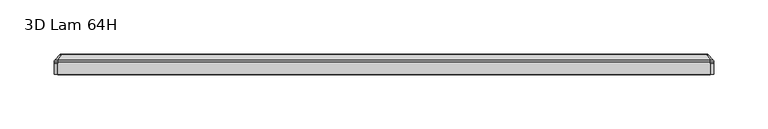
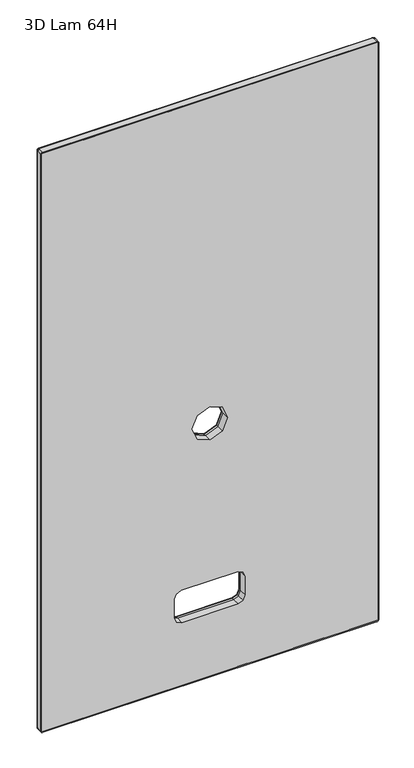
"""IFC4 building model written with IfcOpenShell, lengths in millimetres: furniture geometry, 3D Lam 64H."""

from ifc_helpers import new_model, si_unit, point, frame, origin, place, context, project, spatial, polyline, circle_curve, ellipse_curve, trimmed, outline, extrude, source, transform, mapped, element, save
from ifc_brep_helpers import plane_surface, cylinder_surface, revolved_surface, spline_surface, advanced_brep


def furniture_3d_lam_64h_030b849f(model_context):
    return source(origin(), model_context, "Body", "SolidModel", [
        extrude(outline(polyline([(1.9049516, 1.9049516), (1.9049516, 607.6954845), (1103.2494661, 607.6954845), (1103.2494661, 1.9049516), (1.9049516, 1.9049516)]), holes=[polyline([(505.8888403, 282.3495857), (515.1882, 304.800226), (505.8888403, 327.2508663), (483.4382, 336.550226), (460.9875597, 327.2508663), (451.6882, 304.800226), (460.9875597, 282.3495857), (483.4382, 273.050226), (505.8888403, 282.3495857)]), polyline([(182.8291928, 254.0002086), (182.8291928, 355.6002435), (179.1094561, 364.5804822), (170.1291902, 368.3002301), (134.1882098, 368.3002301), (125.2079439, 364.5804822), (121.4881968, 355.6002183), (121.4881968, 254.0002338), (125.2079439, 245.0199699), (134.1882048, 241.3002241), (170.1291952, 241.3002241), (179.1094561, 245.0199699), (182.8291928, 254.0002086)])]), frame((0.0, 0.0, 0.0), z_axis=(0.0, 1.0, 0.0), x_axis=(0.0, 0.0, 1.0)), (0.0, 0.0, 1.0), 13.6144),
        extrude(outline(polyline([(6.5024, 603.0980666), (1098.6520482, 603.0980666), (1098.6520482, 6.5024), (6.5024, 6.5024), (6.5024, 603.0980666)]), holes=[polyline([(505.8888403, 282.3495857), (515.1882, 304.800226), (505.8888403, 327.2508663), (483.4382, 336.550226), (460.9875597, 327.2508663), (451.6882, 304.800226), (460.9875597, 282.3495857), (483.4382, 273.050226), (505.8888403, 282.3495857)]), polyline([(182.8291928, 254.0002086), (182.8291928, 355.6002435), (179.1094561, 364.5804822), (170.1291902, 368.3002301), (134.1882098, 368.3002301), (125.2079439, 364.5804822), (121.4881968, 355.6002183), (121.4881968, 254.0002338), (125.2079439, 245.0199699), (134.1882048, 241.3002241), (170.1291952, 241.3002241), (179.1094561, 245.0199699), (182.8291928, 254.0002086)])]), frame((0.0, 18.1102, 0.0), z_axis=(0.0, 1.0, 0.0), x_axis=(0.0, 0.0, 1.0)), (0.0, 0.0, 1.0), 0.6569759),
        advanced_brep(
        [(602.8948666, 18.1102, 5.4356), (6.7056, 18.1102, 5.4356), (5.4356, 18.1102, 6.7056), (5.4356, 18.1102, 1098.4488482), (6.7056, 18.1102, 1099.7188482), (602.8948666, 18.1102, 1099.7188482), (604.1648666, 18.1102, 1098.4488482), (604.1648666, 18.1102, 6.7056), (304.800226, 18.1102, 515.1882), (282.3495857, 18.1102, 505.8888403), (273.050226, 18.1102, 483.4382), (282.3495857, 18.1102, 460.9875597), (304.800226, 18.1102, 451.6882), (327.2508663, 18.1102, 460.9875597), (336.550226, 18.1102, 483.4382), (327.2508663, 18.1102, 505.8888403), (355.6002435, 18.1102, 182.8291928), (254.0002086, 18.1102, 182.8291928), (245.0199699, 18.1102, 179.1094561), (241.3002241, 18.1102, 170.1291952), (241.3002241, 18.1102, 134.1882048), (245.0199699, 18.1102, 125.2079439), (254.0002338, 18.1102, 121.4881968), (355.6002183, 18.1102, 121.4881968), (364.5804822, 18.1102, 125.2079439), (368.3002301, 18.1102, 134.1882098), (368.3002301, 18.1102, 170.1291902), (364.5804822, 18.1102, 179.1094561), (606.3746678, 13.6144, 0.9398), (608.6606678, 13.6144, 3.2258), (608.6606678, 13.6144, 1101.9286494), (606.3746678, 13.6144, 1104.2146494), (3.2160448, 13.6144, 1104.2146494), (0.9398, 13.6144, 1101.9384046), (0.9398, 13.6144, 3.2258), (3.2258, 13.6144, 0.9398), (282.3495857, 13.6144, 505.8888403), (304.800226, 13.6144, 515.1882), (327.2508663, 13.6144, 505.8888403), (336.550226, 13.6144, 483.4382), (327.2508663, 13.6144, 460.9875597), (304.800226, 13.6144, 451.6882), (282.3495857, 13.6144, 460.9875597), (273.050226, 13.6144, 483.4382), (254.0002086, 13.6144, 182.8291928), (355.6002435, 13.6144, 182.8291928), (364.5804822, 13.6144, 179.1094561), (368.3002301, 13.6144, 170.1291902), (368.3002301, 13.6144, 134.1882098), (364.5804822, 13.6144, 125.2079439), (355.6002183, 13.6144, 121.4881968), (254.0002338, 13.6144, 121.4881968), (245.0199699, 13.6144, 125.2079439), (241.3002241, 13.6144, 134.1882048), (241.3002241, 13.6144, 170.1291952), (245.0199699, 13.6144, 179.1094561)],
        [
            (0, 1),
            (1, 2, circle_curve(frame((6.7056, 18.1102, 6.7056), z_axis=(0.0, 1.0, 0.0), x_axis=(1.0, 0.0, 0.0)), 1.27)),
            (2, 3),
            (3, 4, circle_curve(frame((6.7056, 18.1102, 1098.4488482), z_axis=(0.0, 1.0, 0.0), x_axis=(1.0, 0.0, 0.0)), 1.27)),
            (4, 5),
            (5, 6, circle_curve(frame((602.8948666, 18.1102, 1098.4488482), z_axis=(0.0, 1.0, 0.0), x_axis=(1.0, 0.0, 0.0)), 1.27)),
            (6, 7),
            (7, 0, circle_curve(frame((602.8948666, 18.1102, 6.7056), z_axis=(0.0, 1.0, 0.0), x_axis=(1.0, 0.0, 0.0)), 1.27)),
            (8, 9),
            (9, 10),
            (10, 11),
            (11, 12),
            (12, 13),
            (13, 14),
            (14, 15),
            (15, 8),
            (16, 17),
            (17, 18),
            (18, 19),
            (19, 20),
            (20, 21),
            (21, 22),
            (22, 23),
            (23, 24),
            (24, 25),
            (25, 26),
            (26, 27),
            (27, 16),
            (28, 29, circle_curve(frame((606.3746678, 13.6144, 3.2258), z_axis=(0.0, -1.0, 0.0), x_axis=(-1.0, 0.0, 0.0)), 2.286)),
            (29, 30),
            (30, 31, circle_curve(frame((606.3746678, 13.6144, 1101.9286494), z_axis=(0.0, -1.0, 0.0), x_axis=(-1.0, 0.0, 0.0)), 2.286)),
            (31, 32),
            (32, 33, circle_curve(frame((3.2160448, 13.6144, 1101.9384046), z_axis=(0.0, -1.0, 0.0), x_axis=(-1.0, 0.0, 0.0)), 2.2762448)),
            (33, 34),
            (34, 35, circle_curve(frame((3.2258, 13.6144, 3.2258), z_axis=(0.0, -1.0, 0.0), x_axis=(-1.0, 0.0, 0.0)), 2.286)),
            (35, 28),
            (36, 37),
            (37, 38),
            (38, 39),
            (39, 40),
            (40, 41),
            (41, 42),
            (42, 43),
            (43, 36),
            (44, 45),
            (45, 46),
            (46, 47),
            (47, 48),
            (48, 49),
            (49, 50),
            (50, 51),
            (51, 52),
            (52, 53),
            (53, 54),
            (54, 55),
            (55, 44),
            (0, 28),
            (35, 1),
            (34, 2),
            (33, 3),
            (32, 4),
            (31, 5),
            (30, 6),
            (29, 7),
            (8, 37),
            (36, 9),
            (43, 10),
            (42, 11),
            (41, 12),
            (40, 13),
            (39, 14),
            (38, 15),
            (16, 45),
            (44, 17),
            (55, 18),
            (54, 19),
            (53, 20),
            (52, 21),
            (51, 22),
            (50, 23),
            (49, 24),
            (48, 25),
            (47, 26),
            (46, 27),
        ],
        [
            plane_surface(frame((304.8002333, 18.1102, 552.5772241), z_axis=(0.0, 1.0, 0.0), x_axis=(-1.0, 0.0, 0.0))),
            plane_surface(frame((304.7990145, 13.6144, 552.5784441), z_axis=(0.0, -1.0, 0.0), x_axis=(-1.0, 0.0, 0.0))),
            plane_surface(frame((304.8002339, 13.6144, 0.9398), z_axis=(0.0, 0.7071067811865477, -0.7071067811865474), x_axis=(-1.0, 0.0, 0.0))),
            spline_surface(2, 1, [[(3.2258, 13.6144, 0.9398), (6.7056, 18.1102, 5.4356)], [(0.9398, 13.6144, 0.9398), (5.4356, 18.1102, 5.4356)], [(0.9398, 13.6144, 3.2258), (5.4356, 18.1102, 6.7056)]], [3, 3], [2, 2], [0.0, 1.0], [0.0, 1.0], weights=[[1.0, 1.0], [0.7071067811865476, 0.7071067811865476], [1.0, 1.0]]),
            plane_surface(frame((0.9398, 13.6144, 552.5821023), z_axis=(-0.7071067811865474, 0.7071067811865477, 0.0), x_axis=(0.0, 0.0, 1.0))),
            spline_surface(2, 1, [[(0.9398, 13.6144, 1101.9384046), (5.4356, 18.1102, 1098.4488482)], [(0.9398000000000857, 13.6144, 1104.2146494), (5.435600000000048, 18.1102, 1099.7188482)], [(3.2160448, 13.6144, 1104.2146494), (6.7056, 18.1102, 1099.7188482)]], [3, 3], [2, 2], [0.0, 1.0], [0.0, 1.0], weights=[[1.0, 1.0], [0.7071067811865609, 0.7071067811865609], [1.0, 1.0]]),
            plane_surface(frame((304.7953563, 13.6144, 1104.2146494), z_axis=(0.0, 0.7071068704807009, 0.707106691892383), x_axis=(1.0, 0.0, 0.0))),
            spline_surface(2, 1, [[(606.3746678, 13.6144, 1104.2146494), (602.8948666, 18.1102, 1099.7188482)], [(608.6606678, 13.6144, 1104.2146494), (604.1648666, 18.1102, 1099.7188482)], [(608.6606678, 13.6144, 1101.9286494), (604.1648666, 18.1102, 1098.4488482)]], [3, 3], [2, 2], [0.0, 1.0], [0.0, 1.0], weights=[[1.0, 1.0], [0.7071067811865476, 0.7071067811865476], [1.0, 1.0]]),
            plane_surface(frame((608.6606678, 13.6144, 552.5772247), z_axis=(0.707106691892383, 0.7071068704807009, 0.0), x_axis=(0.0, 0.0, -1.0))),
            spline_surface(2, 1, [[(608.6606678, 13.6144, 3.2258), (604.1648666, 18.1102, 6.7056)], [(608.6606678000002, 13.6144, 0.9397999999999418), (604.1648666, 18.1102, 5.435600000000018)], [(606.3746678, 13.6144, 0.9398), (602.8948666, 18.1102, 5.4356)]], [3, 3], [2, 2], [0.0, 1.0], [0.0, 1.0], weights=[[1.0, 1.0], [0.7071067811865385, 0.7071067811865385], [1.0, 1.0]]),
            plane_surface(frame((304.800226, 0.0, 515.1882), z_axis=(0.382683432365097, 0.0, -0.9238795325112837), x_axis=(0.0, 1.0, 0.0))),
            plane_surface(frame((282.3495857, 0.0, 505.8888403), z_axis=(0.9238795325112784, 0.0, -0.38268343236510993), x_axis=(0.0, 1.0, 0.0))),
            plane_surface(frame((273.050226, 0.0, 483.4382), z_axis=(0.9238795325112787, 0.0, 0.3826834323651094), x_axis=(0.0, 1.0, 0.0))),
            plane_surface(frame((282.3495857, 0.0, 460.9875597), z_axis=(0.38268343236509894, 0.0, 0.9238795325112831), x_axis=(0.0, 1.0, 0.0))),
            plane_surface(frame((304.800226, 0.0, 451.6882), z_axis=(-0.3826834323650876, 0.0, 0.9238795325112877), x_axis=(0.0, 1.0, 0.0))),
            plane_surface(frame((327.2508663, 0.0, 460.9875597), z_axis=(-0.9238795325112884, 0.0, 0.3826834323650858), x_axis=(0.0, 1.0, 0.0))),
            plane_surface(frame((336.550226, 0.0, 483.4382), z_axis=(-0.9238795325112894, 0.0, -0.3826834323650834), x_axis=(0.0, 1.0, 0.0))),
            plane_surface(frame((327.2508663, 0.0, 505.8888403), z_axis=(-0.3826834323650876, 0.0, -0.9238795325112877), x_axis=(0.0, 1.0, 0.0))),
            plane_surface(frame((355.6002435, 0.0, 182.8291928), z_axis=(0.0, 0.0, -1.0), x_axis=(0.0, 1.0, 0.0))),
            plane_surface(frame((254.0002086, 0.0, 182.8291928), z_axis=(0.38268343236507724, 0.0, -0.923879532511292), x_axis=(0.0, 1.0, 0.0))),
            plane_surface(frame((245.0199699, 0.0, 179.1094561), z_axis=(0.9238795325112825, 0.0, -0.3826834323650999), x_axis=(0.0, 1.0, 0.0))),
            plane_surface(frame((241.3002241, 0.0, 170.1291952), z_axis=(1.0, 0.0, 0.0), x_axis=(0.0, 1.0, 0.0))),
            plane_surface(frame((241.3002241, 0.0, 134.1882048), z_axis=(0.9238795325112614, 0.0, 0.38268343236515107), x_axis=(0.0, 1.0, 0.0))),
            plane_surface(frame((245.0199699, 0.0, 125.2079439), z_axis=(0.38268343236511615, 0.0, 0.9238795325112759), x_axis=(0.0, 1.0, 0.0))),
            plane_surface(frame((254.0002338, 0.0, 121.4881968), z_axis=(0.0, 0.0, 1.0), x_axis=(0.0, 1.0, 0.0))),
            plane_surface(frame((355.6002183, 0.0, 121.4881968), z_axis=(-0.38268343236508123, 0.0, 0.9238795325112904), x_axis=(0.0, 1.0, 0.0))),
            plane_surface(frame((364.5804822, 0.0, 125.2079439), z_axis=(-0.9238795325112871, 0.0, 0.38268343236508906), x_axis=(0.0, 1.0, 0.0))),
            plane_surface(frame((368.3002301, 0.0, 134.1882098), z_axis=(-1.0, 0.0, 0.0), x_axis=(0.0, 1.0, 0.0))),
            plane_surface(frame((368.3002301, 0.0, 170.1291902), z_axis=(-0.9238795325112905, 0.0, -0.38268343236508084), x_axis=(0.0, 1.0, 0.0))),
            plane_surface(frame((364.5804822, 0.0, 179.1094561), z_axis=(-0.38268343236507946, 0.0, -0.9238795325112911), x_axis=(0.0, 1.0, 0.0))),
        ],
        [
            (0, [[1, 2, 3, 4, 5, 6, 7, 8], [9, 10, 11, 12, 13, 14, 15, 16], [17, 18, 19, 20, 21, 22, 23, 24, 25, 26, 27, 28]]),
            (1, [[29, 30, 31, 32, 33, 34, 35, 36], [37, 38, 39, 40, 41, 42, 43, 44], [45, 46, 47, 48, 49, 50, 51, 52, 53, 54, 55, 56]]),
            (2, [[-1, 57, -36, 58]]),
            (3, [[-2, -58, -35, 59]]),
            (4, [[-3, -59, -34, 60]]),
            (5, [[-4, -60, -33, 61]]),
            (6, [[-5, -61, -32, 62]]),
            (7, [[-6, -62, -31, 63]]),
            (8, [[-7, -63, -30, 64]]),
            (9, [[-8, -64, -29, -57]]),
            (10, [[65, -37, 66, -9]]),
            (11, [[-66, -44, 67, -10]]),
            (12, [[-67, -43, 68, -11]]),
            (13, [[-68, -42, 69, -12]]),
            (14, [[-69, -41, 70, -13]]),
            (15, [[-70, -40, 71, -14]]),
            (16, [[-71, -39, 72, -15]]),
            (17, [[-65, -16, -72, -38]]),
            (18, [[73, -45, 74, -17]]),
            (19, [[-74, -56, 75, -18]]),
            (20, [[-75, -55, 76, -19]]),
            (21, [[-76, -54, 77, -20]]),
            (22, [[-77, -53, 78, -21]]),
            (23, [[-78, -52, 79, -22]]),
            (24, [[-79, -51, 80, -23]]),
            (25, [[-80, -50, 81, -24]]),
            (26, [[-81, -49, 82, -25]]),
            (27, [[-82, -48, 83, -26]]),
            (28, [[-83, -47, 84, -27]]),
            (29, [[-73, -28, -84, -46]]),
        ],
    ),
        advanced_brep(
        [(606.171436, 13.6144, 1104.2146494), (608.6606678, 13.6144, 1101.7254176), (608.6606678, 11.3595037, 1101.7254176), (606.171436, 11.3595037, 1104.2146494), (608.6606678, 13.6144, 3.429), (608.6606678, 11.3595037, 3.429), (606.171436, 13.6144, 0.9397682), (606.171436, 11.3595037, 0.9397682), (3.429, 13.6144, 0.9397682), (3.429, 11.3595037, 0.9397682), (0.9397682, 13.6144, 3.429), (0.9397682, 11.3595037, 3.429), (0.9397682, 13.6144, 1101.7254176), (0.9397682, 11.3595037, 1101.7254176), (3.429, 13.6144, 1104.2146494), (3.429, 11.3595037, 1104.2146494), (606.171436, 11.3595037, 1105.1544176), (606.171436, 10.4662215, 1105.1544176), (609.600436, 10.4662215, 1101.7254176), (609.600436, 11.3595037, 1101.7254176), (608.5961052, 11.3595037, 1104.1500868), (609.600436, 0.0, 1101.7254176), (609.600436, 0.0, 3.429), (609.600436, 10.4662215, 3.429), (609.600436, 11.3595037, 3.429), (606.171436, 10.4662215, 0.0), (606.171436, 11.3595037, 0.0), (608.5961052, 11.3595037, 1.0043308), (606.171436, 0.0, 0.0), (3.429, 0.0, 0.0), (3.429, 10.4662215, 0.0), (3.429, 11.3595037, 0.0), (0.0, 10.4662215, 3.429), (0.0, 11.3595037, 3.429), (1.0043308, 11.3595037, 1.0043308), (0.0, 0.0, 3.429), (0.0, 0.0, 1101.7254176), (0.0, 10.4662215, 1101.7254176), (0.0, 11.3595037, 1101.7254176), (3.429, 10.4662215, 1105.1544176), (3.429, 11.3595037, 1105.1544176), (1.0043308, 11.3595037, 1104.1500868), (3.429, 0.0, 1105.1544176), (606.171436, 0.0, 1105.1544176), (606.4254845, 0.0, 1101.7254176), (606.171436, 0.0, 1101.9794661), (606.171436, 11.3595037, 1101.9794661), (606.4254845, 11.3595037, 1101.7254176), (606.4254845, 11.3595037, 3.429), (606.4254845, 0.0, 3.429), (606.171436, 11.3595037, 3.1749516), (606.171436, 0.0, 3.1749516), (3.429, 11.3595037, 3.1749516), (3.429, 0.0, 3.1749516), (3.1749516, 11.3595037, 3.429), (3.1749516, 0.0, 3.429), (3.1749516, 11.3595037, 1101.7254176), (3.1749516, 0.0, 1101.7254176), (3.429, 11.3595037, 1101.9794661), (3.429, 0.0, 1101.9794661)],
        [
            (0, 1, circle_curve(frame((606.171436, 13.6144, 1101.7254176), z_axis=(0.0, 1.0, 0.0), x_axis=(0.0, 0.0, 1.0)), 2.4892318)),
            (1, 2),
            (2, 3, circle_curve(frame((606.171436, 11.3595037, 1101.7254176), z_axis=(0.0, -1.0, 0.0), x_axis=(0.0, 0.0, 1.0)), 2.4892318)),
            (3, 0),
            (1, 4),
            (4, 5),
            (5, 2),
            (4, 6, circle_curve(frame((606.171436, 13.6144, 3.429), z_axis=(0.0, 1.0, 0.0), x_axis=(1.0, 0.0, 0.0)), 2.4892318)),
            (6, 7),
            (7, 5, circle_curve(frame((606.171436, 11.3595037, 3.429), z_axis=(0.0, -1.0, 0.0), x_axis=(1.0, 0.0, 0.0)), 2.4892318)),
            (6, 8),
            (8, 9),
            (9, 7),
            (8, 10, circle_curve(frame((3.429, 13.6144, 3.429), z_axis=(0.0, 1.0, 0.0), x_axis=(0.0, 0.0, -1.0)), 2.4892318)),
            (10, 11),
            (11, 9, circle_curve(frame((3.429, 11.3595037, 3.429), z_axis=(0.0, -1.0, 0.0), x_axis=(0.0, 0.0, -1.0)), 2.4892318)),
            (10, 12),
            (12, 13),
            (13, 11),
            (12, 14, circle_curve(frame((3.429, 13.6144, 1101.7254176), z_axis=(0.0, 1.0, 0.0), x_axis=(-1.0, 0.0, 0.0)), 2.4892318)),
            (14, 15),
            (15, 13, circle_curve(frame((3.429, 11.3595037, 1101.7254176), z_axis=(0.0, -1.0, 0.0), x_axis=(-1.0, 0.0, 0.0)), 2.4892318)),
            (14, 0),
            (3, 15),
            (16, 17),
            (17, 18, circle_curve(frame((606.171436, 10.4662215, 1101.7254176), z_axis=(0.0, 1.0, 0.0), x_axis=(0.0, 0.0, 1.0)), 3.429)),
            (18, 19),
            (19, 20, circle_curve(frame((606.171436, 11.3595037, 1101.7254176), z_axis=(0.0, -1.0, 0.0), x_axis=(0.0, 0.0, 1.0)), 3.429)),
            (20, 16, circle_curve(frame((606.171436, 11.3595037, 1101.7254176), z_axis=(0.0, -1.0, 0.0), x_axis=(0.0, 0.0, 1.0)), 3.429)),
            (0, 16, circle_curve(frame((606.171436, 11.3595037, 1101.9793147), z_axis=(1.0, 0.0, 0.0), x_axis=(0.0, 1.0, 0.0)), 3.1751029)),
            (19, 1, circle_curve(frame((606.4253332, 11.3595037, 1101.7254176), z_axis=(0.0, 0.0, 1.0), x_axis=(0.0, 1.0, 0.0)), 3.1751029)),
            (18, 21),
            (21, 22),
            (22, 23),
            (23, 24),
            (24, 19),
            (24, 4, circle_curve(frame((606.4253332, 11.3595037, 3.429), z_axis=(0.0, 0.0, 1.0), x_axis=(0.0, 1.0, 0.0)), 3.1751029)),
            (23, 25, circle_curve(frame((606.171436, 10.4662215, 3.429), z_axis=(0.0, 1.0, 0.0), x_axis=(1.0, 0.0, 0.0)), 3.429)),
            (25, 26),
            (26, 27, circle_curve(frame((606.171436, 11.3595037, 3.429), z_axis=(0.0, -1.0, 0.0), x_axis=(1.0, 0.0, 0.0)), 3.429)),
            (27, 24, circle_curve(frame((606.171436, 11.3595037, 3.429), z_axis=(0.0, -1.0, 0.0), x_axis=(1.0, 0.0, 0.0)), 3.429)),
            (26, 6, circle_curve(frame((606.171436, 11.3595037, 3.1751029), z_axis=(1.0, 0.0, 0.0), x_axis=(0.0, 1.0, 0.0)), 3.1751029)),
            (25, 28),
            (28, 29),
            (29, 30),
            (30, 31),
            (31, 26),
            (31, 8, circle_curve(frame((3.429, 11.3595037, 3.1751029), z_axis=(1.0, 0.0, 0.0), x_axis=(0.0, 1.0, 0.0)), 3.1751029)),
            (30, 32, circle_curve(frame((3.429, 10.4662215, 3.429), z_axis=(0.0, 1.0, 0.0), x_axis=(0.0, 0.0, -1.0)), 3.429)),
            (32, 33),
            (33, 34, circle_curve(frame((3.429, 11.3595037, 3.429), z_axis=(0.0, -1.0, 0.0), x_axis=(0.0, 0.0, -1.0)), 3.429)),
            (34, 31, circle_curve(frame((3.429, 11.3595037, 3.429), z_axis=(0.0, -1.0, 0.0), x_axis=(0.0, 0.0, -1.0)), 3.429)),
            (33, 10, circle_curve(frame((3.1751029, 11.3595037, 3.429), z_axis=(0.0, 0.0, -1.0), x_axis=(0.0, 1.0, 0.0)), 3.1751029)),
            (32, 35),
            (35, 36),
            (36, 37),
            (37, 38),
            (38, 33),
            (38, 12, circle_curve(frame((3.1751029, 11.3595037, 1101.7254176), z_axis=(0.0, 0.0, -1.0), x_axis=(0.0, 1.0, 0.0)), 3.1751029)),
            (37, 39, circle_curve(frame((3.429, 10.4662215, 1101.7254176), z_axis=(0.0, 1.0, 0.0), x_axis=(-1.0, 0.0, 0.0)), 3.429)),
            (39, 40),
            (40, 41, circle_curve(frame((3.429, 11.3595037, 1101.7254176), z_axis=(0.0, -1.0, 0.0), x_axis=(-1.0, 0.0, 0.0)), 3.429)),
            (41, 38, circle_curve(frame((3.429, 11.3595037, 1101.7254176), z_axis=(0.0, -1.0, 0.0), x_axis=(-1.0, 0.0, 0.0)), 3.429)),
            (40, 14, circle_curve(frame((3.429, 11.3595037, 1101.9793147), z_axis=(-1.0, 0.0, 0.0), x_axis=(0.0, 1.0, 0.0)), 3.1751029)),
            (16, 40),
            (39, 42),
            (42, 43),
            (43, 17),
            (43, 21, circle_curve(frame((606.171436, 0.0, 1101.7254176), z_axis=(0.0, 1.0, 0.0), x_axis=(0.0, 0.0, 1.0)), 3.429)),
            (44, 45, circle_curve(frame((606.171436, 0.0, 1101.7254176), z_axis=(0.0, -1.0, 0.0), x_axis=(0.0, 0.0, 1.0)), 0.2540484)),
            (45, 46),
            (46, 47, circle_curve(frame((606.171436, 11.3595037, 1101.7254176), z_axis=(0.0, 1.0, 0.0), x_axis=(0.0, 0.0, 1.0)), 0.2540484)),
            (47, 44),
            (47, 48),
            (48, 49),
            (49, 44),
            (22, 28, circle_curve(frame((606.171436, 0.0, 3.429), z_axis=(0.0, 1.0, 0.0), x_axis=(1.0, 0.0, 0.0)), 3.429)),
            (48, 50, circle_curve(frame((606.171436, 11.3595037, 3.429), z_axis=(0.0, 1.0, 0.0), x_axis=(1.0, 0.0, 0.0)), 0.2540484)),
            (50, 51),
            (51, 49, circle_curve(frame((606.171436, 0.0, 3.429), z_axis=(0.0, -1.0, 0.0), x_axis=(1.0, 0.0, 0.0)), 0.2540484)),
            (50, 52),
            (52, 53),
            (53, 51),
            (29, 35, circle_curve(frame((3.429, 0.0, 3.429), z_axis=(0.0, 1.0, 0.0), x_axis=(0.0, 0.0, -1.0)), 3.429)),
            (52, 54, circle_curve(frame((3.429, 11.3595037, 3.429), z_axis=(0.0, 1.0, 0.0), x_axis=(0.0, 0.0, -1.0)), 0.2540484)),
            (54, 55),
            (55, 53, circle_curve(frame((3.429, 0.0, 3.429), z_axis=(0.0, -1.0, 0.0), x_axis=(0.0, 0.0, -1.0)), 0.2540484)),
            (54, 56),
            (56, 57),
            (57, 55),
            (36, 42, circle_curve(frame((3.429, 0.0, 1101.7254176), z_axis=(0.0, 1.0, 0.0), x_axis=(-1.0, 0.0, 0.0)), 3.429)),
            (56, 58, circle_curve(frame((3.429, 11.3595037, 1101.7254176), z_axis=(0.0, 1.0, 0.0), x_axis=(-1.0, 0.0, 0.0)), 0.2540484)),
            (58, 59),
            (59, 57, circle_curve(frame((3.429, 0.0, 1101.7254176), z_axis=(0.0, -1.0, 0.0), x_axis=(-1.0, 0.0, 0.0)), 0.2540484)),
            (59, 45),
            (58, 46),
        ],
        [
            revolved_surface(polyline([(606.171436, 13.6144, 1104.2146493999999), (606.171436, 11.3595037, 1104.2146493999999)]), (606.171436, 11.3595037, 1101.7254176), (0.0, 1.0, 0.0)),
            plane_surface(frame((608.6606678, 13.6144, 1101.7254176), z_axis=(-1.0, 0.0, 0.0), x_axis=(0.0, 0.0, -1.0))),
            revolved_surface(polyline([(608.6606677999999, 13.6144, 3.429), (608.6606677999999, 11.3595037, 3.429)]), (606.171436, 11.3595037, 3.429), (0.0, 1.0, 0.0)),
            plane_surface(frame((606.171436, 13.6144, 0.9397682), z_axis=(0.0, 0.0, 1.0), x_axis=(-1.0, 0.0, 0.0))),
            revolved_surface(polyline([(3.429, 13.6144, 0.9397681999999996), (3.429, 11.3595037, 0.9397681999999996)]), (3.429, 11.3595037, 3.429), (0.0, 1.0, 0.0)),
            plane_surface(frame((0.9397682, 13.6144, 3.429), z_axis=(1.0, 0.0, 0.0), x_axis=(0.0, 0.0, 1.0))),
            revolved_surface(polyline([(0.9397681999999996, 13.6144, 1101.7254176), (0.9397681999999996, 11.3595037, 1101.7254176)]), (3.429, 11.3595037, 1101.7254176), (0.0, 1.0, 0.0)),
            plane_surface(frame((3.429, 13.6144, 1104.2146494), z_axis=(0.0, 0.0, -1.0), x_axis=(1.0, 0.0, 0.0))),
            cylinder_surface(frame((606.171436, 11.3595037, 1101.7254176), z_axis=(0.0, 1.0, 0.0), x_axis=(0.0, 0.0, 1.0)), 3.429),
            revolved_surface(trimmed(ellipse_curve(frame((606.171436, 11.3595037, 1101.9793147), z_axis=(-1.0, 0.0, 0.0), x_axis=(0.0, 1.0, 0.0)), 3.1751029, 3.1751029), [point((606.171436, 11.3595037, 1105.1544176))], [point((606.171436, 13.6144, 1104.2146494))], True, "CARTESIAN"), (606.171436, 11.3595037, 1101.7254176), (0.0, 1.0, 0.0)),
            plane_surface(frame((609.600436, 10.4662215, 1101.7254176), z_axis=(1.0, 0.0, 0.0), x_axis=(0.0, 0.0, -1.0))),
            cylinder_surface(frame((606.4253332, 11.3595037, 1101.7254176), z_axis=(0.0, 0.0, 1.0), x_axis=(0.0, 1.0, 0.0)), 3.1751029),
            cylinder_surface(frame((606.171436, 11.3595037, 3.429), z_axis=(0.0, 1.0, 0.0), x_axis=(1.0, 0.0, 0.0)), 3.429),
            revolved_surface(trimmed(ellipse_curve(frame((606.4253332, 11.3595037, 3.429), z_axis=(0.0, 0.0, 1.0), x_axis=(0.0, 1.0, 0.0)), 3.1751029, 3.1751029), [point((609.600436, 11.3595037, 3.429))], [point((608.6606678, 13.6144, 3.429))], True, "CARTESIAN"), (606.171436, 11.3595037, 3.429), (0.0, 1.0, 0.0)),
            plane_surface(frame((606.171436, 10.4662215, 0.0), z_axis=(0.0, 0.0, -1.0), x_axis=(-1.0, 0.0, 0.0))),
            cylinder_surface(frame((606.171436, 11.3595037, 3.1751029), z_axis=(1.0, 0.0, 0.0), x_axis=(0.0, 1.0, 0.0)), 3.1751029),
            cylinder_surface(frame((3.429, 11.3595037, 3.429), z_axis=(0.0, 1.0, 0.0), x_axis=(0.0, 0.0, -1.0)), 3.429),
            revolved_surface(trimmed(ellipse_curve(frame((3.429, 11.3595037, 3.1751029), z_axis=(1.0, 0.0, 0.0), x_axis=(0.0, 1.0, 0.0)), 3.1751029, 3.1751029), [point((3.429, 11.3595037, 0.0))], [point((3.429, 13.6144, 0.9397682))], True, "CARTESIAN"), (3.429, 11.3595037, 3.429), (0.0, 1.0, 0.0)),
            plane_surface(frame((0.0, 10.4662215, 3.429), z_axis=(-1.0, 0.0, 0.0), x_axis=(0.0, 0.0, 1.0))),
            cylinder_surface(frame((3.1751029, 11.3595037, 3.429), z_axis=(0.0, 0.0, -1.0), x_axis=(0.0, 1.0, 0.0)), 3.1751029),
            cylinder_surface(frame((3.429, 11.3595037, 1101.7254176), z_axis=(0.0, 1.0, 0.0), x_axis=(-1.0, 0.0, 0.0)), 3.429),
            revolved_surface(trimmed(ellipse_curve(frame((3.1751029, 11.3595037, 1101.7254176), z_axis=(0.0, 0.0, -1.0), x_axis=(0.0, 1.0, 0.0)), 3.1751029, 3.1751029), [point((0.0, 11.3595037, 1101.7254176))], [point((0.9397682, 13.6144, 1101.7254176))], True, "CARTESIAN"), (3.429, 11.3595037, 1101.7254176), (0.0, 1.0, 0.0)),
            plane_surface(frame((3.429, 10.4662215, 1105.1544176), z_axis=(0.0, 0.0, 1.0), x_axis=(1.0, 0.0, 0.0))),
            cylinder_surface(frame((3.429, 11.3595037, 1101.9793147), z_axis=(-1.0, 0.0, 0.0), x_axis=(0.0, 1.0, 0.0)), 3.1751029),
            cylinder_surface(frame((606.171436, 0.0, 1101.7254176), z_axis=(0.0, 1.0, 0.0), x_axis=(0.0, 0.0, 1.0)), 3.429),
            revolved_surface(polyline([(606.171436, 11.3595037, 1101.979466), (606.171436, 0.0, 1101.979466)]), (606.171436, 0.0, 1101.7254176), (0.0, 1.0, 0.0)),
            plane_surface(frame((606.4254845, 11.3595037, 1101.7254176), z_axis=(-1.0, 0.0, 0.0), x_axis=(0.0, 0.0, -1.0))),
            cylinder_surface(frame((606.171436, 0.0, 3.429), z_axis=(0.0, 1.0, 0.0), x_axis=(1.0, 0.0, 0.0)), 3.429),
            revolved_surface(polyline([(606.4254844, 11.3595037, 3.429), (606.4254844, 0.0, 3.429)]), (606.171436, 0.0, 3.429), (0.0, 1.0, 0.0)),
            plane_surface(frame((606.171436, 11.3595037, 3.1749516), z_axis=(0.0, 0.0, 1.0), x_axis=(-1.0, 0.0, 0.0))),
            cylinder_surface(frame((3.429, 0.0, 3.429), z_axis=(0.0, 1.0, 0.0), x_axis=(0.0, 0.0, -1.0)), 3.429),
            revolved_surface(polyline([(3.429, 11.3595037, 3.1749516), (3.429, 0.0, 3.1749516)]), (3.429, 0.0, 3.429), (0.0, 1.0, 0.0)),
            plane_surface(frame((3.1749516, 11.3595037, 3.429), z_axis=(1.0, 0.0, 0.0), x_axis=(0.0, 0.0, 1.0))),
            cylinder_surface(frame((3.429, 0.0, 1101.7254176), z_axis=(0.0, 1.0, 0.0), x_axis=(-1.0, 0.0, 0.0)), 3.429),
            revolved_surface(polyline([(3.1749516, 11.3595037, 1101.7254176), (3.1749516, 0.0, 1101.7254176)]), (3.429, 0.0, 1101.7254176), (0.0, 1.0, 0.0)),
            plane_surface(frame((3.429, 0.0, 1101.9794661), z_axis=(0.0, -1.0, 0.0), x_axis=(1.0, 0.0, 0.0))),
            plane_surface(frame((3.429, 11.3595037, 1101.9794661), z_axis=(0.0, 0.0, -1.0), x_axis=(1.0, 0.0, 0.0))),
            plane_surface(frame((3.429, 11.3595037, 1105.1544176), z_axis=(0.0, 1.0, 0.0), x_axis=(1.0, 0.0, 0.0))),
        ],
        [
            (0, [[1, 2, 3, 4]]),
            (1, [[5, 6, 7, -2]]),
            (2, [[8, 9, 10, -6]]),
            (3, [[11, 12, 13, -9]]),
            (4, [[14, 15, 16, -12]]),
            (5, [[17, 18, 19, -15]]),
            (6, [[20, 21, 22, -18]]),
            (7, [[23, -4, 24, -21]]),
            (8, [[25, 26, 27, 28, 29]]),
            (9, [[-1, 30, -29, -28, 31]]),
            (10, [[-27, 32, 33, 34, 35, 36]]),
            (11, [[-5, -31, -36, 37]]),
            (12, [[-35, 38, 39, 40, 41]]),
            (13, [[-8, -37, -41, -40, 42]]),
            (14, [[-39, 43, 44, 45, 46, 47]]),
            (15, [[-11, -42, -47, 48]]),
            (16, [[-46, 49, 50, 51, 52]]),
            (17, [[-14, -48, -52, -51, 53]]),
            (18, [[-50, 54, 55, 56, 57, 58]]),
            (19, [[-17, -53, -58, 59]]),
            (20, [[-57, 60, 61, 62, 63]]),
            (21, [[-20, -59, -63, -62, 64]]),
            (22, [[-25, 65, -61, 66, 67, 68]]),
            (23, [[-23, -64, -65, -30]]),
            (24, [[69, -32, -26, -68]]),
            (25, [[70, 71, 72, 73]]),
            (26, [[-73, 74, 75, 76]]),
            (27, [[77, -43, -38, -34]]),
            (28, [[-75, 78, 79, 80]]),
            (29, [[-79, 81, 82, 83]]),
            (30, [[84, -54, -49, -45]]),
            (31, [[-82, 85, 86, 87]]),
            (32, [[-86, 88, 89, 90]]),
            (33, [[91, -66, -60, -56]]),
            (34, [[-89, 92, 93, 94]]),
            (35, [[-69, -67, -91, -55, -84, -44, -77, -33], [-70, -76, -80, -83, -87, -90, -94, 95]]),
            (36, [[-71, -95, -93, 96]]),
            (37, [[-3, -7, -10, -13, -16, -19, -22, -24], [-72, -96, -92, -88, -85, -81, -78, -74]]),
        ],
    ),
        advanced_brep(
        [(6.5024, 17.9329662, 1098.4488482), (6.7056, 17.9329662, 1098.6520482), (6.7056, 18.1102, 1099.7188482), (5.4356, 18.1102, 1098.4488482), (6.5024, 18.7671758, 1098.4488482), (6.7056, 18.7671758, 1098.6520482), (5.4356, 18.1102, 6.7056), (6.5024, 17.9329662, 6.7056), (6.5024, 18.7671758, 6.7056), (6.7056, 17.9329662, 6.5024), (6.7056, 18.1102, 5.4356), (6.7056, 18.7671758, 6.5024), (602.8948666, 18.1102, 5.4356), (602.8948666, 17.9329662, 6.5024), (602.8948666, 18.7671758, 6.5024), (603.0980666, 17.9329662, 6.7056), (604.1648666, 18.1102, 6.7056), (603.0980666, 18.7671758, 6.7056), (604.1648666, 18.1102, 1098.4488482), (603.0980666, 17.9329662, 1098.4488482), (603.0980666, 18.7671758, 1098.4488482), (602.8948666, 17.9329662, 1098.6520482), (602.8948666, 18.1102, 1099.7188482), (602.8948666, 18.7671758, 1098.6520482)],
        [
            (0, 1, circle_curve(frame((6.7056, 17.9329662, 1098.4488482), z_axis=(0.0, 1.0, 0.0), x_axis=(0.0, 0.0, 1.0)), 0.2032)),
            (1, 2),
            (2, 3, circle_curve(frame((6.7056, 18.1102, 1098.4488482), z_axis=(0.0, -1.0, 0.0), x_axis=(0.0, 0.0, 1.0)), 1.27)),
            (3, 0),
            (4, 5, circle_curve(frame((6.7056, 18.7671758, 1098.4488482), z_axis=(0.0, 1.0, 0.0), x_axis=(0.0, 0.0, 1.0)), 0.2032)),
            (5, 1),
            (0, 4),
            (2, 5, circle_curve(frame((6.7056, 17.6824814, 1098.7197476), z_axis=(-1.0, 0.0, 0.0), x_axis=(0.0, 0.0, 1.0)), 1.086805)),
            (4, 3, circle_curve(frame((6.4347006, 17.6824814, 1098.4488482), z_axis=(0.0, 0.0, 1.0), x_axis=(-1.0, 0.0, 0.0)), 1.086805)),
            (3, 6),
            (6, 7),
            (7, 0),
            (7, 8),
            (8, 4),
            (8, 6, circle_curve(frame((6.4347006, 17.6824814, 6.7056), z_axis=(0.0, 0.0, 1.0), x_axis=(-1.0, 0.0, 0.0)), 1.086805)),
            (9, 7, circle_curve(frame((6.7056, 17.9329662, 6.7056), z_axis=(0.0, 1.0, 0.0), x_axis=(-1.0, 0.0, 0.0)), 0.2032)),
            (6, 10, circle_curve(frame((6.7056, 18.1102, 6.7056), z_axis=(0.0, -1.0, 0.0), x_axis=(-1.0, 0.0, 0.0)), 1.27)),
            (10, 9),
            (11, 8, circle_curve(frame((6.7056, 18.7671758, 6.7056), z_axis=(0.0, 1.0, 0.0), x_axis=(-1.0, 0.0, 0.0)), 0.2032)),
            (9, 11),
            (11, 10, circle_curve(frame((6.7056, 17.6824814, 6.4347006), z_axis=(-1.0, 0.0, 0.0), x_axis=(0.0, 0.0, -1.0)), 1.086805)),
            (10, 12),
            (12, 13),
            (13, 9),
            (13, 14),
            (14, 11),
            (14, 12, circle_curve(frame((602.8948666, 17.6824814, 6.4347006), z_axis=(-1.0, 0.0, 0.0), x_axis=(0.0, 0.0, -1.0)), 1.086805)),
            (15, 13, circle_curve(frame((602.8948666, 17.9329662, 6.7056), z_axis=(0.0, 1.0, 0.0), x_axis=(0.0, 0.0, -1.0)), 0.2032)),
            (12, 16, circle_curve(frame((602.8948666, 18.1102, 6.7056), z_axis=(0.0, -1.0, 0.0), x_axis=(0.0, 0.0, -1.0)), 1.27)),
            (16, 15),
            (17, 14, circle_curve(frame((602.8948666, 18.7671758, 6.7056), z_axis=(0.0, 1.0, 0.0), x_axis=(0.0, 0.0, -1.0)), 0.2032)),
            (15, 17),
            (17, 16, circle_curve(frame((603.165766, 17.6824814, 6.7056), z_axis=(0.0, 0.0, -1.0), x_axis=(1.0, 0.0, 0.0)), 1.086805)),
            (16, 18),
            (18, 19),
            (19, 15),
            (19, 20),
            (20, 17),
            (20, 18, circle_curve(frame((603.165766, 17.6824814, 1098.4488482), z_axis=(0.0, 0.0, -1.0), x_axis=(1.0, 0.0, 0.0)), 1.086805)),
            (21, 19, circle_curve(frame((602.8948666, 17.9329662, 1098.4488482), z_axis=(0.0, 1.0, 0.0), x_axis=(1.0, 0.0, 0.0)), 0.2032)),
            (18, 22, circle_curve(frame((602.8948666, 18.1102, 1098.4488482), z_axis=(0.0, -1.0, 0.0), x_axis=(1.0, 0.0, 0.0)), 1.27)),
            (22, 21),
            (23, 20, circle_curve(frame((602.8948666, 18.7671758, 1098.4488482), z_axis=(0.0, 1.0, 0.0), x_axis=(1.0, 0.0, 0.0)), 0.2032)),
            (21, 23),
            (23, 22, circle_curve(frame((602.8948666, 17.6824814, 1098.7197476), z_axis=(1.0, 0.0, 0.0), x_axis=(0.0, 0.0, 1.0)), 1.086805)),
            (22, 2),
            (1, 21),
            (5, 23),
        ],
        [
            revolved_surface(polyline([(6.7056, 18.1102, 1099.7188482), (6.7056, 17.9329662, 1098.6520482)]), (6.7056, 18.1102, 1098.4488482), (0.0, -1.0, 0.0)),
            revolved_surface(polyline([(6.7056, 17.9329662, 1098.6520481999999), (6.7056, 18.7671758, 1098.6520481999999)]), (6.7056, 18.1102, 1098.4488482), (0.0, -1.0, 0.0)),
            revolved_surface(trimmed(ellipse_curve(frame((6.7056, 17.6824814, 1098.7197476), z_axis=(1.0, 0.0, 0.0), x_axis=(0.0, 0.0, 1.0)), 1.086805, 1.086805), [point((6.7056, 18.7671758, 1098.6520482))], [point((6.7056, 18.1102, 1099.7188482))], True, "CARTESIAN"), (6.7056, 18.1102, 1098.4488482), (0.0, -1.0, 0.0)),
            plane_surface(frame((5.4356, 18.1102, 1098.4488482), z_axis=(-0.1638895279992106, -0.9864786985090941, 0.0), x_axis=(0.0, 0.0, -1.0))),
            plane_surface(frame((6.5024, 17.9329662, 1098.4488482), z_axis=(1.0, 0.0, 0.0), x_axis=(0.0, 0.0, -1.0))),
            cylinder_surface(frame((6.4347006, 17.6824814, 1098.4488482), z_axis=(0.0, 0.0, 1.0), x_axis=(-1.0, 0.0, 0.0)), 1.086805),
            revolved_surface(polyline([(5.4356, 18.1102, 6.7056), (6.5024, 17.9329662, 6.7056)]), (6.7056, 18.1102, 6.7056), (0.0, -1.0, 0.0)),
            revolved_surface(polyline([(6.5024, 17.9329662, 6.7056), (6.5024, 18.7671758, 6.7056)]), (6.7056, 18.1102, 6.7056), (0.0, -1.0, 0.0)),
            revolved_surface(trimmed(ellipse_curve(frame((6.4347006, 17.6824814, 6.7056), z_axis=(0.0, 0.0, 1.0), x_axis=(-1.0, 0.0, 0.0)), 1.086805, 1.086805), [point((6.5024, 18.7671758, 6.7056))], [point((5.4356, 18.1102, 6.7056))], True, "CARTESIAN"), (6.7056, 18.1102, 6.7056), (0.0, -1.0, 0.0)),
            plane_surface(frame((6.7056, 18.1102, 5.4356), z_axis=(0.0, -0.9864786985090941, -0.1638895279992106), x_axis=(1.0, 0.0, 0.0))),
            plane_surface(frame((6.7056, 17.9329662, 6.5024), z_axis=(0.0, 0.0, 1.0), x_axis=(1.0, 0.0, 0.0))),
            cylinder_surface(frame((6.7056, 17.6824814, 6.4347006), z_axis=(-1.0, 0.0, 0.0), x_axis=(0.0, 0.0, -1.0)), 1.086805),
            revolved_surface(polyline([(602.8948666, 18.1102, 5.4356), (602.8948666, 17.9329662, 6.5024)]), (602.8948666, 18.1102, 6.7056), (0.0, -1.0, 0.0)),
            revolved_surface(polyline([(602.8948666, 17.9329662, 6.5024), (602.8948666, 18.7671758, 6.5024)]), (602.8948666, 18.1102, 6.7056), (0.0, -1.0, 0.0)),
            revolved_surface(trimmed(ellipse_curve(frame((602.8948666, 17.6824814, 6.4347006), z_axis=(-1.0, 0.0, 0.0), x_axis=(0.0, 0.0, -1.0)), 1.086805, 1.086805), [point((602.8948666, 18.7671758, 6.5024))], [point((602.8948666, 18.1102, 5.4356))], True, "CARTESIAN"), (602.8948666, 18.1102, 6.7056), (0.0, -1.0, 0.0)),
            plane_surface(frame((604.1648666, 18.1102, 6.7056), z_axis=(0.1638895279992106, -0.9864786985090941, 0.0), x_axis=(0.0, 0.0, 1.0))),
            plane_surface(frame((603.0980666, 17.9329662, 6.7056), z_axis=(-1.0, 0.0, 0.0), x_axis=(0.0, 0.0, 1.0))),
            cylinder_surface(frame((603.165766, 17.6824814, 6.7056), z_axis=(0.0, 0.0, -1.0), x_axis=(1.0, 0.0, 0.0)), 1.086805),
            revolved_surface(polyline([(604.1648666, 18.1102, 1098.4488482), (603.0980666, 17.9329662, 1098.4488482)]), (602.8948666, 18.1102, 1098.4488482), (0.0, -1.0, 0.0)),
            revolved_surface(polyline([(603.0980666, 17.9329662, 1098.4488482), (603.0980666, 18.7671758, 1098.4488482)]), (602.8948666, 18.1102, 1098.4488482), (0.0, -1.0, 0.0)),
            revolved_surface(trimmed(ellipse_curve(frame((603.165766, 17.6824814, 1098.4488482), z_axis=(0.0, 0.0, -1.0), x_axis=(1.0, 0.0, 0.0)), 1.086805, 1.086805), [point((603.0980666, 18.7671758, 1098.4488482))], [point((604.1648666, 18.1102, 1098.4488482))], True, "CARTESIAN"), (602.8948666, 18.1102, 1098.4488482), (0.0, -1.0, 0.0)),
            plane_surface(frame((602.8948666, 18.1102, 1099.7188482), z_axis=(0.0, -0.9864786985090941, 0.1638895279992106), x_axis=(-1.0, 0.0, 0.0))),
            plane_surface(frame((602.8948666, 17.9329662, 1098.6520482), z_axis=(0.0, 0.0, -1.0), x_axis=(-1.0, 0.0, 0.0))),
            cylinder_surface(frame((602.8948666, 17.6824814, 1098.7197476), z_axis=(1.0, 0.0, 0.0), x_axis=(0.0, 0.0, 1.0)), 1.086805),
        ],
        [
            (0, [[1, 2, 3, 4]]),
            (1, [[5, 6, -1, 7]]),
            (2, [[-3, 8, -5, 9]]),
            (3, [[-4, 10, 11, 12]]),
            (4, [[-7, -12, 13, 14]]),
            (5, [[-9, -14, 15, -10]]),
            (6, [[16, -11, 17, 18]]),
            (7, [[19, -13, -16, 20]]),
            (8, [[-17, -15, -19, 21]]),
            (9, [[-18, 22, 23, 24]]),
            (10, [[-20, -24, 25, 26]]),
            (11, [[-21, -26, 27, -22]]),
            (12, [[28, -23, 29, 30]]),
            (13, [[31, -25, -28, 32]]),
            (14, [[-29, -27, -31, 33]]),
            (15, [[-30, 34, 35, 36]]),
            (16, [[-32, -36, 37, 38]]),
            (17, [[-33, -38, 39, -34]]),
            (18, [[40, -35, 41, 42]]),
            (19, [[43, -37, -40, 44]]),
            (20, [[-41, -39, -43, 45]]),
            (21, [[-42, 46, -2, 47]]),
            (22, [[-44, -47, -6, 48]]),
            (23, [[-45, -48, -8, -46]]),
        ],
    ),
    ])


if __name__ == "__main__":
    model = new_model("IFC4")
    model_context = context("Model", 3, world=origin())
    ifc_project = project(units=[si_unit("LENGTHUNIT", "METRE", prefix="MILLI")], contexts=[model_context])
    site = spatial("IfcSite", under=ifc_project)
    building = spatial("IfcBuilding", under=site)
    placement = place(None, origin())
    furniture_3d_lam_64h_shape = furniture_3d_lam_64h_030b849f(model_context)
    element("IfcFurniture", 1, ObjectType="3D Lam 64H", at=placement, inside=building, context=model_context, shape_type="MappedRepresentation", body=[
        mapped(furniture_3d_lam_64h_shape, transform((0.0, 0.0, 0.0), x_axis=(1.0, 0.0, 0.0), y_axis=(0.0, 1.0, 0.0), z_axis=(0.0, 0.0, 1.0))),
    ])
    save(model, "model.ifc")
